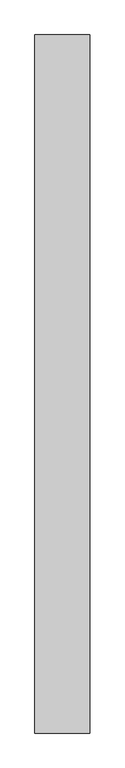
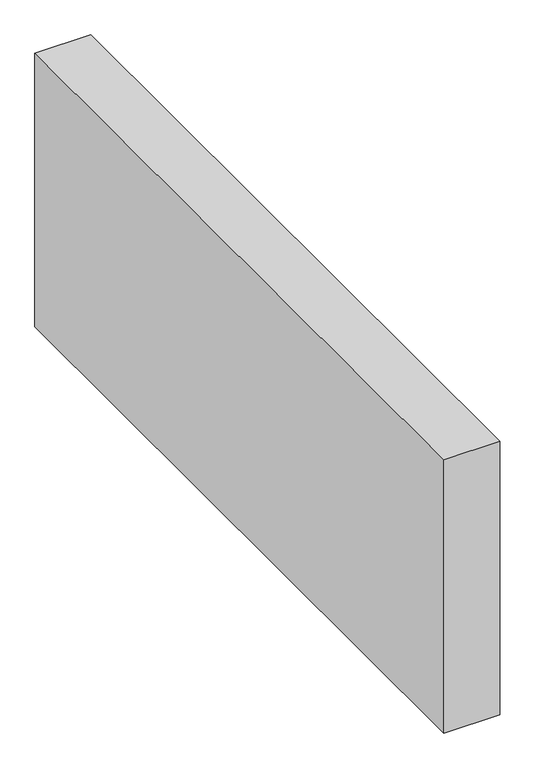
"""IFC4 building model written with IfcOpenShell, lengths in millimetres: proxy geometry."""

from ifc_helpers import new_model, si_unit, origin, origin_with_axes, place, context, project, spatial, polyline, outline, extrude, source, transform, mapped, element, save


def generic_models_c5d9f18d(model_context):
    return source(origin(), model_context, "Body", "SweptSolid", [
        extrude(outline(polyline([(150.0, 1904.1214531), (150.0, 0.0), (0.0, 0.0), (0.0, 1904.1214531), (150.0, 1904.1214531)])), origin_with_axes(), (0.0, 0.0, 1.0), 776.6553396),
    ])


if __name__ == "__main__":
    model = new_model("IFC4")
    model_context = context("Model", 3, world=origin())
    ifc_project = project(units=[si_unit("LENGTHUNIT", "METRE", prefix="MILLI")], contexts=[model_context])
    site = spatial("IfcSite", under=ifc_project)
    building = spatial("IfcBuilding", under=site)
    placement = place(None, origin())
    generic_models_shape = generic_models_c5d9f18d(model_context)
    element("IfcBuildingElementProxy", 1, Name="Generic Models", at=placement, inside=building, context=model_context, shape_type="MappedRepresentation", body=[
        mapped(generic_models_shape, transform((0.0, 0.0, 0.0), x_axis=(1.0, 0.0, 0.0), y_axis=(0.0, 1.0, 0.0), z_axis=(0.0, 0.0, 1.0))),
    ])
    save(model, "model.ifc")
